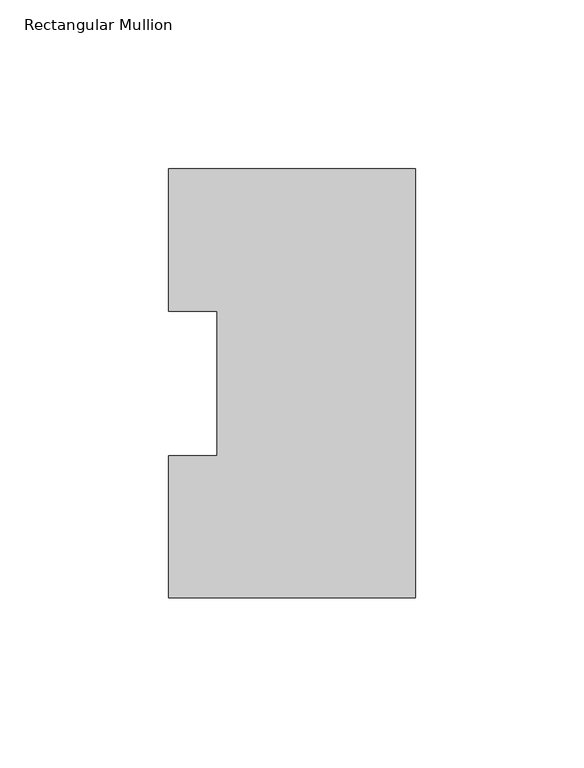
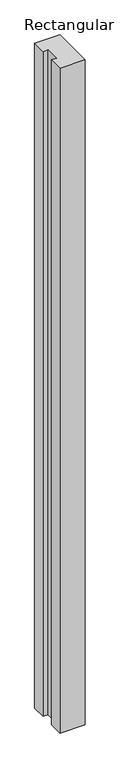
"""IFC4 building model written with IfcOpenShell, lengths in millimetres: member geometry, Rectangular Mullion."""

from ifc_helpers import new_model, si_unit, frame, origin, place, context, project, spatial, polyline, outline, extrude, source, transform, mapped, element, save


def rectangular_mullion_e9010576(model_context):
    return source(origin(), model_context, "Body", "SweptSolid", [
        extrude(outline(polyline([(0.0, 126.7086918), (0.0, -0.2913082), (-73.025, -0.2913082), (-73.025, 41.7837928), (-58.7375, 41.7837928), (-58.7375, 84.6335938), (-73.025, 84.6335938), (-73.025, 126.7086918), (0.0, 126.7086918)])), frame((0.0, 0.0, -2044.7176747), z_axis=(0.0, 0.0, 1.0), x_axis=(1.0, 0.0, 0.0)), (0.0, 0.0, 1.0), 2044.7176747),
    ])


if __name__ == "__main__":
    model = new_model("IFC4")
    model_context = context("Model", 3, world=origin())
    ifc_project = project(units=[si_unit("LENGTHUNIT", "METRE", prefix="MILLI")], contexts=[model_context])
    site = spatial("IfcSite", under=ifc_project)
    building = spatial("IfcBuilding", under=site)
    placement = place(None, origin())
    rectangular_mullion_shape = rectangular_mullion_e9010576(model_context)
    element("IfcMember", 1, ObjectType="Rectangular Mullion", at=placement, inside=building, context=model_context, shape_type="MappedRepresentation", body=[
        mapped(rectangular_mullion_shape, transform((0.0, 0.0, 0.0), x_axis=(1.0, 0.0, 0.0), y_axis=(0.0, 1.0, 0.0), z_axis=(0.0, 0.0, 1.0))),
    ])
    save(model, "model.ifc")
